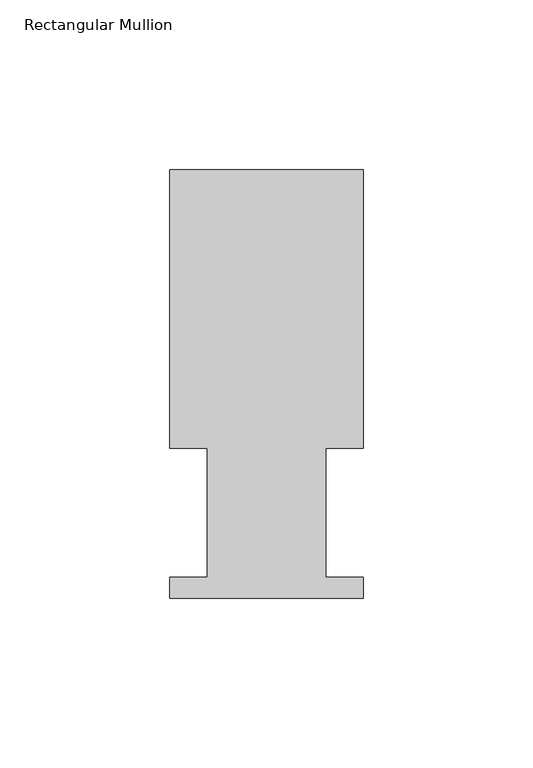
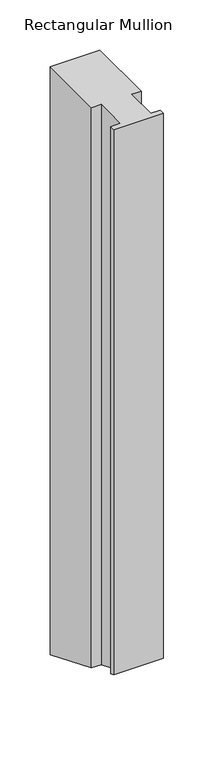
"""IFC4 building model written with IfcOpenShell, lengths in millimetres: member geometry, Rectangular Mullion."""

from ifc_helpers import new_model, si_unit, origin, place, context, project, spatial, faceted_brep, source, transform, mapped, element, save


def rectangular_mullion_b5031f79(model_context):
    return source(origin(), model_context, "Body", "Brep", [
        faceted_brep([(0.0, 126.619, 0.0), (-57.15, 126.619, 0.0), (-57.15, 44.45, 0.0), (-46.0370705, 44.45, 0.0), (-46.0370705, 6.35, 0.0), (-57.15, 6.35, 0.0), (-57.15, 0.2798837, 0.0), (0.0, 0.2798837, 0.0), (0.0, 6.35, 0.0), (-11.1120704, 6.35, 0.0), (-11.1120704, 44.45, 0.0), (0.0, 44.45, 0.0), (0.0, 126.619, -715.172717), (-57.15, 126.619, -715.172717), (-57.15, 44.45, -681.1372028), (-46.0370705, 44.45, -681.1372028), (-46.0370705, 6.35, -665.3556661), (-57.15, 6.35, -665.3556661), (-57.15, 0.2798837, -662.8413416), (0.0, 0.2798837, -662.8413416), (0.0, 6.35, -665.3556661), (-11.1120704, 6.35, -665.3556661), (-11.1120704, 44.45, -681.1372028), (0.0, 44.45, -681.1372028)], [[[0, 1, 2, 3, 4, 5, 6, 7, 8, 9, 10, 11]], [[1, 0, 12, 13]], [[2, 1, 13, 14]], [[3, 2, 14, 15]], [[4, 3, 15, 16]], [[5, 4, 16, 17]], [[6, 5, 17, 18]], [[7, 6, 18, 19]], [[8, 7, 19, 20]], [[9, 8, 20, 21]], [[10, 9, 21, 22]], [[11, 10, 22, 23]], [[0, 11, 23, 12]], [[12, 23, 22, 21, 20, 19, 18, 17, 16, 15, 14, 13]]]),
    ])


if __name__ == "__main__":
    model = new_model("IFC4")
    model_context = context("Model", 3, world=origin())
    ifc_project = project(units=[si_unit("LENGTHUNIT", "METRE", prefix="MILLI")], contexts=[model_context])
    site = spatial("IfcSite", under=ifc_project)
    building = spatial("IfcBuilding", under=site)
    placement = place(None, origin())
    rectangular_mullion_shape = rectangular_mullion_b5031f79(model_context)
    element("IfcMember", 1, ObjectType="Rectangular Mullion", at=placement, inside=building, context=model_context, shape_type="MappedRepresentation", body=[
        mapped(rectangular_mullion_shape, transform((0.0, 0.0, 0.0), x_axis=(1.0, 0.0, 0.0), y_axis=(0.0, 1.0, 0.0), z_axis=(0.0, 0.0, 1.0))),
    ])
    save(model, "model.ifc")
